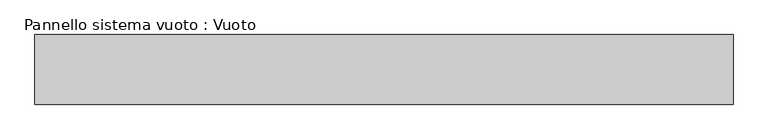
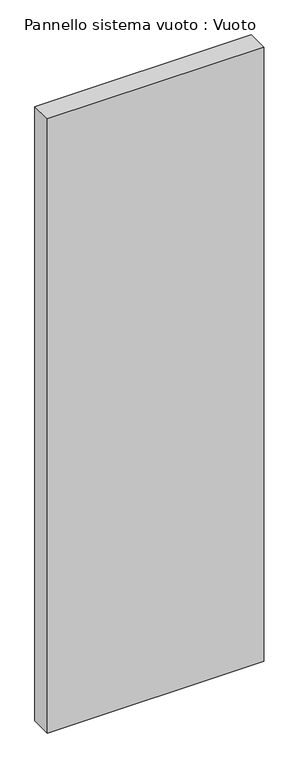
"""IFC4 building model written with IfcOpenShell, lengths in millimetres: plate geometry, Pannello sistema vuoto : Vuoto."""

from ifc_helpers import new_model, si_unit, origin, origin_with_axes, place, context, project, spatial, polyline, outline, extrude, source, transform, mapped, element, save


def pannello_sistema_vuoto_vuoto_93460a76(model_context):
    return source(origin(), model_context, "Body", "SweptSolid", [
        extrude(outline(polyline([(499.5, -50.0), (-499.5, -50.0), (-499.5, 50.0), (499.5, 50.0), (499.5, -50.0)])), origin_with_axes(), (0.0, 0.0, 1.0), 3000.0),
    ])


if __name__ == "__main__":
    model = new_model("IFC4")
    model_context = context("Model", 3, world=origin())
    ifc_project = project(units=[si_unit("LENGTHUNIT", "METRE", prefix="MILLI")], contexts=[model_context])
    site = spatial("IfcSite", under=ifc_project)
    building = spatial("IfcBuilding", under=site)
    placement = place(None, origin())
    pannello_sistema_vuoto_vuoto_shape = pannello_sistema_vuoto_vuoto_93460a76(model_context)
    element("IfcPlate", 1, ObjectType="Pannello sistema vuoto : Vuoto", at=placement, inside=building, context=model_context, shape_type="MappedRepresentation", body=[
        mapped(pannello_sistema_vuoto_vuoto_shape, transform((0.0, 0.0, 0.0), x_axis=(1.0, 0.0, 0.0), y_axis=(0.0, 1.0, 0.0), z_axis=(0.0, 0.0, 1.0))),
    ])
    save(model, "model.ifc")
